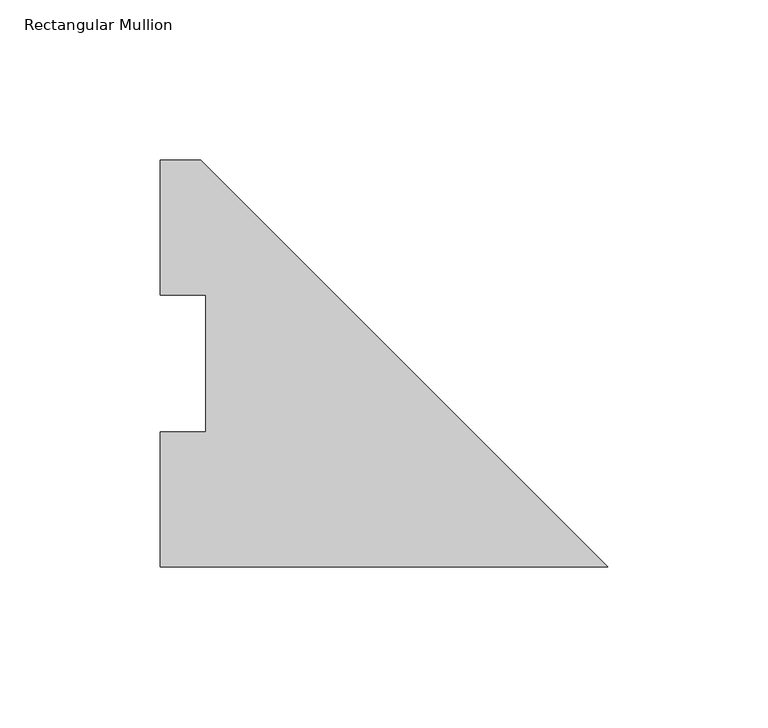
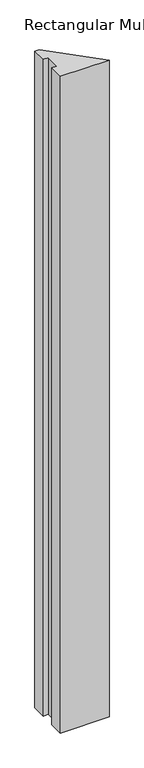
"""IFC4 building model written with IfcOpenShell, lengths in millimetres: member geometry, Rectangular Mullion."""

from ifc_helpers import new_model, si_unit, frame, origin, place, context, project, spatial, polyline, outline, extrude, source, transform, mapped, element, save


def rectangular_mullion_1ed83036(model_context):
    return source(origin(), model_context, "Body", "SweptSolid", [
        extrude(outline(polyline([(-139.7, 0.00635), (-139.7, 42.08145), (-125.4125, 42.08145), (-125.4125, 84.93125), (-139.7, 84.93125), (-139.7, 127.00635), (-127.0, 127.00635), (0.0, 0.00635), (-139.7, 0.00635)])), frame((0.0, 0.0, -1993.9), z_axis=(0.0, 0.0, 1.0), x_axis=(1.0, 0.0, 0.0)), (0.0, 0.0, 1.0), 1993.9),
    ])


if __name__ == "__main__":
    model = new_model("IFC4")
    model_context = context("Model", 3, world=origin())
    ifc_project = project(units=[si_unit("LENGTHUNIT", "METRE", prefix="MILLI")], contexts=[model_context])
    site = spatial("IfcSite", under=ifc_project)
    building = spatial("IfcBuilding", under=site)
    placement = place(None, origin())
    rectangular_mullion_shape = rectangular_mullion_1ed83036(model_context)
    element("IfcMember", 1, ObjectType="Rectangular Mullion", at=placement, inside=building, context=model_context, shape_type="MappedRepresentation", body=[
        mapped(rectangular_mullion_shape, transform((0.0, 0.0, 0.0), x_axis=(1.0, 0.0, 0.0), y_axis=(0.0, 1.0, 0.0), z_axis=(0.0, 0.0, 1.0))),
    ])
    save(model, "model.ifc")
